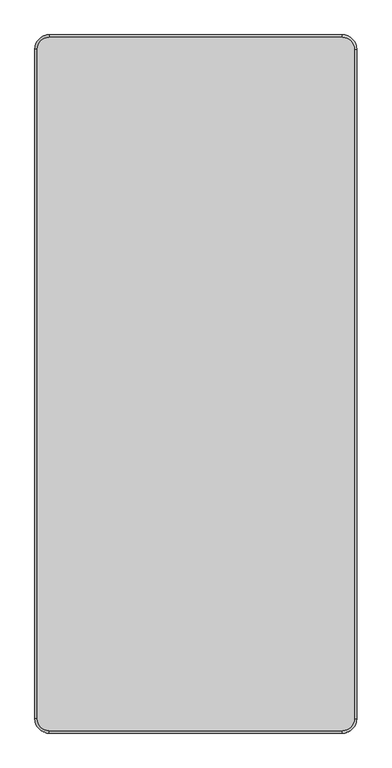
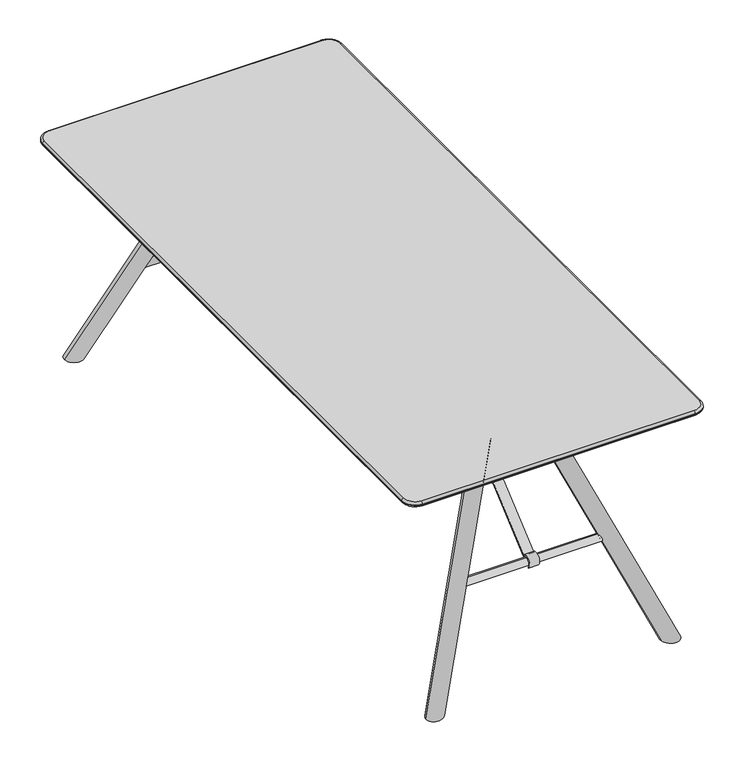
"""IFC4 building model written with IfcOpenShell, lengths in millimetres: furniture geometry."""

from ifc_helpers import new_model, si_unit, point, frame, frame_2d, origin, place, context, project, spatial, polyline, circle_curve, ellipse_curve, trimmed, segment, composite_curve, outline, extrude, source, transform, mapped, element, save
from ifc_brep_helpers import plane_surface, cylinder_surface, revolved_surface, advanced_brep


def furniture_fb891a6e(model_context):
    return source(origin(), model_context, "Body", "SolidModel", [
        extrude(outline(composite_curve([segment(polyline([(-382.7995356, 696.9999876), (-318.4674309, 696.9999876), (-318.4674309, 693.9557965), (-381.7040688, 693.9557965), (-822.3687476, 318.9245802)]), True, "CONTINUOUS"), segment(trimmed(circle_curve(frame_2d((-834.262824, 308.2132689)), 16.0062876), [point((-822.3687476, 318.9245802))], [point((-846.8884441, 298.374826))], True, "CARTESIAN"), True, "CONTINUOUS"), segment(polyline([(-846.8884441, 298.374826), (-849.0227537, 296.2405164)]), True, "CONTINUOUS"), segment(trimmed(circle_curve(frame_2d((-834.961095, 308.9632055)), 18.9630446), [point((-849.0227537, 296.2405164))], [point((-822.2099951, 322.9991063))], False, "CARTESIAN"), True, "CONTINUOUS"), segment(polyline([(-822.2099951, 322.9991063), (-382.7995356, 696.9999876)]), True, "CONTINUOUS")], self_intersect=False)), frame((-18.7488756, 0.0, 0.0), z_axis=(1.0, 0.0, 0.0), x_axis=(0.0, 1.0, 0.0)), (0.0, 0.0, 1.0), 30.0854304),
        advanced_brep(
        [(-234.1299418, -834.5006792, 296.9759032), (-234.1299418, -834.5006792, 320.4264818), (-234.1299418, -834.5006792, 308.7011925), (225.8700582, -834.5006792, 308.7011925), (225.8700582, -834.5006792, 320.4264818), (225.8700582, -834.5006792, 296.9759032)],
        [
            (0, 1, circle_curve(frame((-234.1299418, -834.5006792, 308.7011925), z_axis=(-1.0, 0.0, 0.0), x_axis=(0.0, 0.0, 1.0)), 11.7252893)),
            (1, 2),
            (2, 0),
            (1, 0, circle_curve(frame((-234.1299418, -834.5006792, 308.7011925), z_axis=(-1.0, 0.0, 0.0), x_axis=(0.0, 0.0, 1.0)), 11.7252893)),
            (3, 4),
            (4, 5, circle_curve(frame((225.8700582, -834.5006792, 308.7011925), z_axis=(1.0, 0.0, 0.0), x_axis=(0.0, 0.0, 1.0)), 11.7252893)),
            (5, 3),
            (5, 4, circle_curve(frame((225.8700582, -834.5006792, 308.7011925), z_axis=(1.0, 0.0, 0.0), x_axis=(0.0, 0.0, 1.0)), 11.7252893)),
            (4, 1, circle_curve(frame((-4.1299418, -834.5006792, -4735.1313064), z_axis=(0.0, -1.0, 0.0), x_axis=(0.0, 0.0, -1.0)), 5060.7869497)),
            (0, 5, circle_curve(frame((-4.1299418, -834.5006792, 5352.5336915), z_axis=(0.0, -1.0, 0.0), x_axis=(0.0, 0.0, 1.0)), 5060.7869497)),
        ],
        [
            plane_surface(frame((-234.1299418, -834.5006792, 308.7011925), z_axis=(-1.0, 0.0, 0.0), x_axis=(0.0, 0.0, 1.0))),
            plane_surface(frame((225.8700582, -834.5006792, 308.7011925), z_axis=(1.0, 0.0, 0.0), x_axis=(0.0, 0.0, 1.0))),
            revolved_surface(trimmed(ellipse_curve(frame((-4.1299418, -834.5006792, -4735.1313064), z_axis=(0.0, 1.0, 0.0), x_axis=(0.0, 0.0, -1.0)), 5060.7869497, 5060.7869497), [point((-234.1299418, -834.5006792, 320.4264818))], [point((225.8700582, -834.5006792, 320.4264818))], True, "CARTESIAN"), (225.8700582, -834.5006792, 308.7011925), (1.0, 0.0, 0.0)),
        ],
        [
            (0, [[1, 2, 3]]),
            (0, [[4, -3, -2]]),
            (1, [[5, 6, 7]]),
            (1, [[-7, 8, -5]]),
            (2, [[-6, 9, -1, 10]]),
            (2, [[-8, -10, -4, -9]]),
        ],
    ),
        extrude(outline(composite_curve([segment(polyline([(382.7995356, 696.9999876), (822.2099951, 322.9991063)]), True, "CONTINUOUS"), segment(trimmed(circle_curve(frame_2d((834.961095, 308.9632055)), 18.9630446), [point((822.2099951, 322.9991063))], [point((849.0227537, 296.2405164))], False, "CARTESIAN"), True, "CONTINUOUS"), segment(polyline([(849.0227537, 296.2405164), (846.8884441, 298.374826)]), True, "CONTINUOUS"), segment(trimmed(circle_curve(frame_2d((834.262824, 308.2132689)), 16.0062876), [point((846.8884441, 298.374826))], [point((822.3687476, 318.9245802))], True, "CARTESIAN"), True, "CONTINUOUS"), segment(polyline([(822.3687476, 318.9245802), (381.7040688, 693.9557965), (318.4674309, 693.9557965), (318.4674309, 696.9999876), (382.7995356, 696.9999876)]), True, "CONTINUOUS")], self_intersect=False)), frame((-18.7488756, 0.0, 0.0), z_axis=(1.0, 0.0, 0.0), x_axis=(0.0, 1.0, 0.0)), (0.0, 0.0, 1.0), 30.0854304),
        advanced_brep(
        [(-234.1299418, 834.5006792, 308.7011925), (-234.1299418, 834.5006792, 320.4264818), (-234.1299418, 834.5006792, 296.9759032), (225.8700582, 834.5006792, 296.9759032), (225.8700582, 834.5006792, 320.4264818), (225.8700582, 834.5006792, 308.7011925)],
        [
            (0, 1),
            (1, 2, circle_curve(frame((-234.1299418, 834.5006792, 308.7011925), z_axis=(-1.0, 0.0, 0.0), x_axis=(0.0, 0.0, 1.0)), 11.7252893)),
            (2, 0),
            (2, 1, circle_curve(frame((-234.1299418, 834.5006792, 308.7011925), z_axis=(-1.0, 0.0, 0.0), x_axis=(0.0, 0.0, 1.0)), 11.7252893)),
            (3, 4, circle_curve(frame((225.8700582, 834.5006792, 308.7011925), z_axis=(1.0, 0.0, 0.0), x_axis=(0.0, 0.0, 1.0)), 11.7252893)),
            (4, 5),
            (5, 3),
            (4, 3, circle_curve(frame((225.8700582, 834.5006792, 308.7011925), z_axis=(1.0, 0.0, 0.0), x_axis=(0.0, 0.0, 1.0)), 11.7252893)),
            (1, 4, circle_curve(frame((-4.1299418, 834.5006792, -4735.1313064), z_axis=(0.0, 1.0, 0.0), x_axis=(0.0, 0.0, -1.0)), 5060.7869497)),
            (3, 2, circle_curve(frame((-4.1299418, 834.5006792, 5352.5336915), z_axis=(0.0, 1.0, 0.0), x_axis=(0.0, 0.0, 1.0)), 5060.7869497)),
        ],
        [
            plane_surface(frame((-234.1299418, 834.5006792, 308.7011925), z_axis=(-1.0, 0.0, 0.0), x_axis=(0.0, 0.0, 1.0))),
            plane_surface(frame((225.8700582, 834.5006792, 308.7011925), z_axis=(1.0, 0.0, 0.0), x_axis=(0.0, 0.0, 1.0))),
            revolved_surface(trimmed(ellipse_curve(frame((-4.1299418, 834.5006792, -4735.1313064), z_axis=(0.0, -1.0, 0.0), x_axis=(0.0, 0.0, -1.0)), 5060.7869497, 5060.7869497), [point((225.8700582, 834.5006792, 320.4264818))], [point((-234.1299418, 834.5006792, 320.4264818))], True, "CARTESIAN"), (225.8700582, 834.5006792, 308.7011925), (-1.0, 0.0, 0.0)),
        ],
        [
            (0, [[1, 2, 3]]),
            (0, [[-3, 4, -1]]),
            (1, [[5, 6, 7]]),
            (1, [[8, -7, -6]]),
            (2, [[-2, 9, -5, 10]]),
            (2, [[-4, -10, -8, -9]]),
        ],
    ),
        advanced_brep(
        [(327.1101507, -939.6804862, 0.0), (380.6471861, -939.3695552, 0.0), (109.9688176, -718.7539753, 667.7772071), (63.3065195, -724.66814, 650.8168831)],
        [
            (0, 1, ellipse_curve(frame((353.8786684, -939.5250207, 0.0), z_axis=(0.0, 0.0, -1.0), x_axis=(-0.7751468611530293, 0.6317810883879051, 0.0)), 28.2117965, 25.0)),
            (1, 0, ellipse_curve(frame((353.8786684, -939.5250207, 0.0), z_axis=(0.0, 0.0, -1.0), x_axis=(-0.7751468611530293, 0.6317810883879051, 0.0)), 28.2117965, 25.0)),
            (2, 3, circle_curve(frame((86.6376685, -721.7110576, 659.2970451), z_axis=(-0.35919577864696833, 0.29276142541603045, 0.8861541290264195), x_axis=(-0.9332459618296185, -0.1182832937809614, -0.33920648157285704)), 25.0)),
            (3, 2, circle_curve(frame((86.6376685, -721.7110576, 659.2970451), z_axis=(-0.35919577864696833, 0.29276142541603045, 0.8861541290264195), x_axis=(-0.9332459618296185, -0.1182832937809614, -0.33920648157285704)), 25.0)),
            (2, 1),
            (0, 3),
        ],
        [
            plane_surface(frame((414.9551578, -894.6298519, 0.0), z_axis=(0.0, 0.0, -1.0), x_axis=(-1.0, 0.0, 0.0))),
            plane_surface(frame((63.3065195, -724.66814, 650.8168831), z_axis=(-0.3591957786469684, 0.29276142541603045, 0.8861541290264195), x_axis=(0.005510656123217832, -0.9488412987432097, 0.315705277859574))),
            cylinder_surface(frame((359.1565975, -943.8267807, -13.0209177), z_axis=(-0.35919577864696833, 0.29276142541603045, 0.8861541290264195), x_axis=(-0.9332459618296185, -0.1182832937809614, -0.33920648157285704)), 25.0),
        ],
        [
            (0, [[1, 2]]),
            (1, [[3, 4]]),
            (2, [[-3, 5, -1, 6]]),
            (2, [[-4, -6, -2, -5]]),
        ],
    ),
        advanced_brep(
        [(-109.9688176, -718.7539753, 667.7772071), (-63.3065195, -724.66814, 650.8168831), (-327.1101507, -939.6804862, 0.0), (-380.6471861, -939.3695552, 0.0)],
        [
            (0, 1, circle_curve(frame((-86.6376685, -721.7110576, 659.2970451), z_axis=(0.3591957786469684, 0.2927614254160305, 0.8861541290264195), x_axis=(0.9332459618296185, -0.11828329378096139, -0.3392064815728571)), 25.0)),
            (1, 0, circle_curve(frame((-86.6376685, -721.7110576, 659.2970451), z_axis=(0.3591957786469684, 0.2927614254160305, 0.8861541290264195), x_axis=(0.9332459618296185, -0.11828329378096139, -0.3392064815728571)), 25.0)),
            (1, 2),
            (2, 3, ellipse_curve(frame((-353.8786684, -939.5250207, 0.0), z_axis=(0.0, 0.0, 1.0), x_axis=(0.7751468611530294, 0.6317810883879053, 0.0)), 28.2117965, 25.0)),
            (3, 0),
            (3, 2, ellipse_curve(frame((-353.8786684, -939.5250207, 0.0), z_axis=(0.0, 0.0, 1.0), x_axis=(0.7751468611530294, 0.6317810883879053, 0.0)), 28.2117965, 25.0)),
        ],
        [
            plane_surface(frame((-63.3065195, -724.66814, 650.8168831), z_axis=(0.3591957786469684, 0.2927614254160305, 0.8861541290264195), x_axis=(0.005510656123217837, 0.9488412987432097, -0.31570527785957403))),
            cylinder_surface(frame((-359.1565975, -943.8267807, -13.0209177), z_axis=(0.3591957786469684, 0.2927614254160305, 0.8861541290264195), x_axis=(0.9332459618296185, -0.11828329378096139, -0.3392064815728571)), 25.0),
            plane_surface(frame((414.9551578, -894.6298519, 0.0), z_axis=(0.0, 0.0, -1.0), x_axis=(-1.0, 0.0, 0.0))),
        ],
        [
            (0, [[1, 2]]),
            (1, [[-2, 3, 4, 5]]),
            (1, [[-1, -5, 6, -3]]),
            (2, [[-4, -6]]),
        ],
    ),
        extrude(outline(polyline([(705.4756617, -300.8039954), (687.6294954, -300.8039954), (642.3006437, -190.0), (642.3006437, 190.0), (687.6294954, 300.8039954), (705.4756617, 300.8039954), (705.4756617, -300.8039954)])), frame((0.0, -775.405654, 0.0), z_axis=(0.0, 1.0, 0.0), x_axis=(0.0, 0.0, 1.0)), (0.0, 0.0, 1.0), 100.000054),
        advanced_brep(
        [(380.6471861, 939.3695552, 0.0), (327.1101507, 939.6804862, 0.0), (109.9688176, 718.7539753, 667.7772071), (63.3065195, 724.66814, 650.8168831)],
        [
            (0, 1, ellipse_curve(frame((353.8786684, 939.5250207, 0.0), z_axis=(0.0, 0.0, -1.0), x_axis=(-0.7751468611530293, -0.6317810883879051, 0.0)), 28.2117965, 25.0)),
            (1, 0, ellipse_curve(frame((353.8786684, 939.5250207, 0.0), z_axis=(0.0, 0.0, -1.0), x_axis=(-0.7751468611530293, -0.6317810883879051, 0.0)), 28.2117965, 25.0)),
            (2, 3, circle_curve(frame((86.6376685, 721.7110576, 659.2970451), z_axis=(-0.35919577864696833, -0.29276142541603045, 0.8861541290264195), x_axis=(-0.9332459618296185, 0.1182832937809614, -0.33920648157285704)), 25.0)),
            (3, 2, circle_curve(frame((86.6376685, 721.7110576, 659.2970451), z_axis=(-0.35919577864696833, -0.29276142541603045, 0.8861541290264195), x_axis=(-0.9332459618296185, 0.1182832937809614, -0.33920648157285704)), 25.0)),
            (3, 1),
            (0, 2),
        ],
        [
            plane_surface(frame((414.9551578, 999.6298519, 0.0), z_axis=(0.0, 0.0, -1.0), x_axis=(-1.0, 0.0, 0.0))),
            plane_surface(frame((63.3065195, 724.66814, 650.8168831), z_axis=(-0.35919577864696833, -0.29276142541603045, 0.8861541290264195), x_axis=(-0.005510656123217832, -0.9488412987432097, -0.315705277859574))),
            cylinder_surface(frame((359.1565975, 943.8267807, -13.0209177), z_axis=(-0.35919577864696833, -0.29276142541603045, 0.8861541290264195), x_axis=(-0.9332459618296185, 0.1182832937809614, -0.33920648157285704)), 25.0),
        ],
        [
            (0, [[1, 2]]),
            (1, [[3, 4]]),
            (2, [[-4, 5, -1, 6]]),
            (2, [[-3, -6, -2, -5]]),
        ],
    ),
        advanced_brep(
        [(-109.9688176, 718.7539753, 667.7772071), (-63.3065195, 724.66814, 650.8168831), (-380.6471861, 939.3695552, 0.0), (-327.1101507, 939.6804862, 0.0)],
        [
            (0, 1, circle_curve(frame((-86.6376685, 721.7110576, 659.2970451), z_axis=(0.3591957786469684, -0.2927614254160305, 0.8861541290264195), x_axis=(0.9332459618296185, 0.11828329378096139, -0.3392064815728571)), 25.0)),
            (1, 0, circle_curve(frame((-86.6376685, 721.7110576, 659.2970451), z_axis=(0.3591957786469684, -0.2927614254160305, 0.8861541290264195), x_axis=(0.9332459618296185, 0.11828329378096139, -0.3392064815728571)), 25.0)),
            (0, 2),
            (2, 3, ellipse_curve(frame((-353.8786684, 939.5250207, 0.0), z_axis=(0.0, 0.0, 1.0), x_axis=(0.7751468611530294, -0.6317810883879053, 0.0)), 28.2117965, 25.0)),
            (3, 1),
            (3, 2, ellipse_curve(frame((-353.8786684, 939.5250207, 0.0), z_axis=(0.0, 0.0, 1.0), x_axis=(0.7751468611530294, -0.6317810883879053, 0.0)), 28.2117965, 25.0)),
        ],
        [
            plane_surface(frame((-63.3065195, 724.66814, 650.8168831), z_axis=(0.3591957786469684, -0.2927614254160305, 0.8861541290264195), x_axis=(-0.005510656123217837, 0.9488412987432097, 0.31570527785957403))),
            cylinder_surface(frame((-359.1565975, 943.8267807, -13.0209177), z_axis=(0.3591957786469684, -0.2927614254160305, 0.8861541290264195), x_axis=(0.9332459618296185, 0.11828329378096139, -0.3392064815728571)), 25.0),
            plane_surface(frame((414.9551578, 999.6298519, 0.0), z_axis=(0.0, 0.0, -1.0), x_axis=(-1.0, 0.0, 0.0))),
        ],
        [
            (0, [[1, 2]]),
            (1, [[-1, 3, 4, 5]]),
            (1, [[-2, -5, 6, -3]]),
            (2, [[-4, -6]]),
        ],
    ),
        extrude(outline(polyline([(705.4756617, -300.8039954), (687.6294954, -300.8039954), (642.3006437, -190.0), (642.3006437, 190.0), (687.6294954, 300.8039954), (705.4756617, 300.8039954), (705.4756617, -300.8039954)])), frame((0.0, 675.4056, 0.0), z_axis=(0.0, 1.0, 0.0), x_axis=(0.0, 0.0, 1.0)), (0.0, 0.0, 1.0), 100.000054),
        advanced_brep(
        [(443.3875297, 935.0, 720.0), (410.0, 968.3875297, 720.0), (-410.0, 968.3875297, 720.0), (-443.3875297, 935.0, 720.0), (-443.3875297, -935.0, 720.0), (-410.0, -968.3875297, 720.0), (410.0, -968.3875297, 720.0), (443.3875297, -935.0, 720.0), (410.0, 940.0005076, 696.9999876), (415.0005076, 935.0, 696.9999876), (415.0005076, -935.0, 696.9999876), (410.0, -940.0005076, 696.9999876), (-410.0, -940.0005076, 696.9999876), (-415.0005076, -935.0, 696.9999876), (-415.0005076, 935.0, 696.9999876), (-410.0, 940.0005076, 696.9999876), (410.0, 975.0, 713.3875297), (410.0, 975.0, 711.9936077), (-410.0, 975.0, 711.9936098), (-410.0, 975.0, 713.3875297), (-450.0, 935.0, 711.9936098), (-450.0, 935.0, 713.3875297), (-450.0, -935.0, 711.9936098), (-450.0, -935.0, 713.3875297), (-410.0, -975.0, 711.9936098), (-410.0, -975.0, 713.3875297), (410.0, -975.0, 711.9936098), (410.0, -975.0, 713.3875297), (450.0, -935.0, 711.9936098), (450.0, -935.0, 713.3875297), (450.0, 935.0, 711.9936098), (450.0, 935.0, 713.3875297), (446.0321209, 935.0, 706.6108805), (410.0, 971.0321209, 706.6108805), (446.0321209, -935.0, 706.6108805), (410.0, -971.0321209, 706.6108805), (-410.0, -971.0321209, 706.6108805), (-446.0321209, -935.0, 706.6108805), (-446.0321209, 935.0, 706.6108805), (-410.0, 971.0321209, 706.6108805)],
        [
            (0, 1, circle_curve(frame((410.0, 935.0, 720.0), z_axis=(0.0, 0.0, 1.0), x_axis=(0.0, 1.0, 0.0)), 33.3875297)),
            (1, 2),
            (2, 3, circle_curve(frame((-410.0, 935.0, 720.0), z_axis=(0.0, 0.0, 1.0), x_axis=(-1.0, 0.0, 0.0)), 33.3875297)),
            (3, 4),
            (4, 5, circle_curve(frame((-410.0, -935.0, 720.0), z_axis=(0.0, 0.0, 1.0), x_axis=(0.0, -1.0, 0.0)), 33.3875297)),
            (5, 6),
            (6, 7, circle_curve(frame((410.0, -935.0, 720.0), z_axis=(0.0, 0.0, 1.0), x_axis=(1.0, 0.0, 0.0)), 33.3875297)),
            (7, 0),
            (8, 9, circle_curve(frame((410.0, 935.0, 696.9999876), z_axis=(0.0, 0.0, -1.0), x_axis=(0.0, 1.0, 0.0)), 5.0005076)),
            (9, 10),
            (10, 11, circle_curve(frame((410.0, -935.0, 696.9999876), z_axis=(0.0, 0.0, -1.0), x_axis=(1.0, 0.0, 0.0)), 5.0005076)),
            (11, 12),
            (12, 13, circle_curve(frame((-410.0, -935.0, 696.9999876), z_axis=(0.0, 0.0, -1.0), x_axis=(0.0, -1.0, 0.0)), 5.0005076)),
            (13, 14),
            (14, 15, circle_curve(frame((-410.0, 935.0, 696.9999876), z_axis=(0.0, 0.0, -1.0), x_axis=(-1.0, 0.0, 0.0)), 5.0005076)),
            (15, 8),
            (16, 17),
            (17, 18),
            (18, 19),
            (19, 16),
            (18, 20, circle_curve(frame((-410.0, 935.0, 711.9936098), z_axis=(0.0, 0.0, 1.0), x_axis=(1.0, 0.0, 0.0)), 40.0)),
            (20, 21),
            (21, 19, circle_curve(frame((-410.0, 935.0, 713.3875297), z_axis=(0.0, 0.0, -1.0), x_axis=(1.0, 0.0, 0.0)), 40.0)),
            (20, 22),
            (22, 23),
            (23, 21),
            (22, 24, circle_curve(frame((-410.0, -935.0, 711.9936098), z_axis=(0.0, 0.0, 1.0), x_axis=(1.0, 0.0, 0.0)), 40.0)),
            (24, 25),
            (25, 23, circle_curve(frame((-410.0, -935.0, 713.3875297), z_axis=(0.0, 0.0, -1.0), x_axis=(1.0, 0.0, 0.0)), 40.0)),
            (24, 26),
            (26, 27),
            (27, 25),
            (26, 28, circle_curve(frame((410.0, -935.0, 711.9936098), z_axis=(0.0, 0.0, 1.0), x_axis=(1.0, 0.0, 0.0)), 40.0)),
            (28, 29),
            (29, 27, circle_curve(frame((410.0, -935.0, 713.3875297), z_axis=(0.0, 0.0, -1.0), x_axis=(1.0, 0.0, 0.0)), 40.0)),
            (28, 30),
            (30, 31),
            (31, 29),
            (16, 31, circle_curve(frame((410.0, 935.0, 713.3875297), z_axis=(0.0, 0.0, -1.0), x_axis=(1.0, 0.0, 0.0)), 40.0)),
            (30, 17, circle_curve(frame((410.0, 935.0, 711.9936098), z_axis=(0.0, 0.0, 1.0), x_axis=(1.0, 0.0, 0.0)), 40.0)),
            (32, 9),
            (8, 33),
            (33, 32, circle_curve(frame((410.0, 935.0, 706.6108805), z_axis=(0.0, 0.0, -1.0), x_axis=(0.0, 1.0, 0.0)), 36.0321209)),
            (32, 34),
            (34, 10),
            (34, 35, circle_curve(frame((410.0, -935.0, 706.6108805), z_axis=(0.0, 0.0, -1.0), x_axis=(1.0, 0.0, 0.0)), 36.0321209)),
            (35, 11),
            (35, 36),
            (36, 12),
            (36, 37, circle_curve(frame((-410.0, -935.0, 706.6108805), z_axis=(0.0, 0.0, -1.0), x_axis=(0.0, -1.0, 0.0)), 36.0321209)),
            (37, 13),
            (37, 38),
            (38, 14),
            (38, 39, circle_curve(frame((-410.0, 935.0, 706.6108805), z_axis=(0.0, 0.0, -1.0), x_axis=(-1.0, 0.0, 0.0)), 36.0321209)),
            (39, 15),
            (39, 33),
            (33, 17, circle_curve(frame((410.0, 969.3650199, 711.9936098), z_axis=(1.0, 0.0, 0.0), x_axis=(0.0, -1.0, 0.0)), 5.6349801)),
            (30, 32, circle_curve(frame((444.3650199, 935.0, 711.9936098), z_axis=(0.0, 1.0, 0.0), x_axis=(-1.0, 0.0, 0.0)), 5.6349801)),
            (0, 31, circle_curve(frame((443.3875297, 935.0, 713.3875297), z_axis=(0.0, 1.0, 0.0), x_axis=(-1.0, 0.0, 0.0)), 6.6124703)),
            (16, 1, circle_curve(frame((410.0, 968.3875297, 713.3875297), z_axis=(1.0, 0.0, 0.0), x_axis=(0.0, -1.0, 0.0)), 6.6124703)),
            (28, 34, circle_curve(frame((444.3650199, -935.0, 711.9936098), z_axis=(0.0, 1.0, 0.0), x_axis=(-1.0, 0.0, 0.0)), 5.6349801)),
            (7, 29, circle_curve(frame((443.3875297, -935.0, 713.3875297), z_axis=(0.0, 1.0, 0.0), x_axis=(-1.0, 0.0, 0.0)), 6.6124703)),
            (26, 35, circle_curve(frame((410.0, -969.3650199, 711.9936098), z_axis=(1.0, 0.0, 0.0), x_axis=(0.0, 1.0, 0.0)), 5.6349801)),
            (6, 27, circle_curve(frame((410.0, -968.3875297, 713.3875297), z_axis=(1.0, 0.0, 0.0), x_axis=(0.0, 1.0, 0.0)), 6.6124703)),
            (24, 36, circle_curve(frame((-410.0, -969.3650199, 711.9936098), z_axis=(1.0, 0.0, 0.0), x_axis=(0.0, 1.0, 0.0)), 5.6349801)),
            (5, 25, circle_curve(frame((-410.0, -968.3875297, 713.3875297), z_axis=(1.0, 0.0, 0.0), x_axis=(0.0, 1.0, 0.0)), 6.6124703)),
            (22, 37, circle_curve(frame((-444.3650199, -935.0, 711.9936098), z_axis=(0.0, -1.0, 0.0), x_axis=(1.0, 0.0, 0.0)), 5.6349801)),
            (4, 23, circle_curve(frame((-443.3875297, -935.0, 713.3875297), z_axis=(0.0, -1.0, 0.0), x_axis=(1.0, 0.0, 0.0)), 6.6124703)),
            (20, 38, circle_curve(frame((-444.3650199, 935.0, 711.9936098), z_axis=(0.0, -1.0, 0.0), x_axis=(1.0, 0.0, 0.0)), 5.6349801)),
            (3, 21, circle_curve(frame((-443.3875297, 935.0, 713.3875297), z_axis=(0.0, -1.0, 0.0), x_axis=(1.0, 0.0, 0.0)), 6.6124703)),
            (18, 39, circle_curve(frame((-410.0, 969.3650199, 711.9936098), z_axis=(-1.0, 0.0, 0.0), x_axis=(0.0, -1.0, 0.0)), 5.6349801)),
            (2, 19, circle_curve(frame((-410.0, 968.3875297, 713.3875297), z_axis=(-1.0, 0.0, 0.0), x_axis=(0.0, -1.0, 0.0)), 6.6124703)),
        ],
        [
            plane_surface(frame((-410.310117, 975.0, 720.0), z_axis=(0.0, 0.0, 1.0), x_axis=(-1.0, 0.0, 0.0))),
            plane_surface(frame((-410.310117, 975.0, 696.9999876), z_axis=(0.0, 0.0, -1.0), x_axis=(1.0, 0.0, 0.0))),
            plane_surface(frame((410.0, 975.0, 720.0), z_axis=(0.0, 1.0, 0.0), x_axis=(0.0, 0.0, -1.0))),
            cylinder_surface(frame((-410.0, 935.0, 696.9999876), z_axis=(0.0, 0.0, 1.0), x_axis=(1.0, 0.0, 0.0)), 40.0),
            plane_surface(frame((-450.0, 935.0, 720.0), z_axis=(-1.0, 0.0, 0.0), x_axis=(0.0, 0.0, -1.0))),
            cylinder_surface(frame((-410.0, -935.0, 696.9999876), z_axis=(0.0, 0.0, 1.0), x_axis=(1.0, 0.0, 0.0)), 40.0),
            plane_surface(frame((-410.0, -975.0, 720.0), z_axis=(0.0, -1.0, 0.0), x_axis=(0.0, 0.0, -1.0))),
            cylinder_surface(frame((410.0, -935.0, 696.9999876), z_axis=(0.0, 0.0, 1.0), x_axis=(1.0, 0.0, 0.0)), 40.0),
            plane_surface(frame((450.0, -935.0, 720.0), z_axis=(1.0, 0.0, 0.0), x_axis=(0.0, 0.0, -1.0))),
            cylinder_surface(frame((410.0, 935.0, 696.9999876), z_axis=(0.0, 0.0, 1.0), x_axis=(1.0, 0.0, 0.0)), 40.0),
            revolved_surface(polyline([(410.0, 971.0321209, 706.6108805), (410.0, 940.0005076, 696.9999876)]), (410.0, 935.0, -18.7809165), (0.0, 0.0, -1.0)),
            plane_surface(frame((415.0005076, 935.0, 696.9999876), z_axis=(0.295848611790623, 0.0, -0.9552348396606781), x_axis=(0.0, -1.0, 0.0))),
            revolved_surface(polyline([(446.0321209, -935.0, 706.6108805), (415.0005076, -935.0, 696.9999876)]), (410.0, -935.0, -18.7809165), (0.0, 0.0, -1.0)),
            plane_surface(frame((410.0, -940.0005076, 696.9999876), z_axis=(0.0, -0.295848611790623, -0.9552348396606781), x_axis=(-1.0, 0.0, 0.0))),
            revolved_surface(polyline([(-410.0, -971.0321209, 706.6108805), (-410.0, -940.0005076, 696.9999876)]), (-410.0, -935.0, -18.7809165), (0.0, 0.0, -1.0)),
            plane_surface(frame((-415.0005076, -935.0, 696.9999876), z_axis=(-0.295848611790623, 0.0, -0.9552348396606781), x_axis=(0.0, 1.0, 0.0))),
            revolved_surface(polyline([(-446.0321209, 935.0, 706.6108805), (-415.0005076, 935.0, 696.9999876)]), (-410.0, 935.0, -18.7809165), (0.0, 0.0, -1.0)),
            plane_surface(frame((-410.0, 940.0005076, 696.9999876), z_axis=(0.0, 0.295848611790623, -0.9552348396606781), x_axis=(1.0, 0.0, 0.0))),
            revolved_surface(trimmed(ellipse_curve(frame((410.0, 969.3650199, 711.9936098), z_axis=(-1.0, 0.0, 0.0), x_axis=(0.0, -1.0, 0.0)), 5.6349801, 5.6349801), [point((410.0, 975.0, 711.9936098))], [point((410.0, 971.0321209, 706.6108805))], True, "CARTESIAN"), (410.0, 935.0, -18.7809165), (0.0, 0.0, -1.0)),
            revolved_surface(trimmed(ellipse_curve(frame((410.0, 968.3875297, 713.3875297), z_axis=(-1.0, 0.0, 0.0), x_axis=(0.0, -1.0, 0.0)), 6.6124703, 6.6124703), [point((410.0, 968.3875297, 720.0))], [point((410.0, 975.0, 713.3875297))], True, "CARTESIAN"), (410.0, 935.0, -18.7809165), (0.0, 0.0, -1.0)),
            cylinder_surface(frame((444.3650199, 935.0, 711.9936098), z_axis=(0.0, -1.0, 0.0), x_axis=(-1.0, 0.0, 0.0)), 5.6349801),
            cylinder_surface(frame((443.3875297, 935.0, 713.3875297), z_axis=(0.0, -1.0, 0.0), x_axis=(-1.0, 0.0, 0.0)), 6.6124703),
            revolved_surface(trimmed(ellipse_curve(frame((444.3650199, -935.0, 711.9936098), z_axis=(0.0, 1.0, 0.0), x_axis=(-1.0, 0.0, 0.0)), 5.6349801, 5.6349801), [point((450.0, -935.0, 711.9936098))], [point((446.0321209, -935.0, 706.6108805))], True, "CARTESIAN"), (410.0, -935.0, -18.7809165), (0.0, 0.0, -1.0)),
            revolved_surface(trimmed(ellipse_curve(frame((443.3875297, -935.0, 713.3875297), z_axis=(0.0, 1.0, 0.0), x_axis=(-1.0, 0.0, 0.0)), 6.6124703, 6.6124703), [point((443.3875297, -935.0, 720.0))], [point((450.0, -935.0, 713.3875297))], True, "CARTESIAN"), (410.0, -935.0, -18.7809165), (0.0, 0.0, -1.0)),
            cylinder_surface(frame((410.0, -969.3650199, 711.9936098), z_axis=(-1.0, 0.0, 0.0), x_axis=(0.0, 1.0, 0.0)), 5.6349801),
            cylinder_surface(frame((410.0, -968.3875297, 713.3875297), z_axis=(-1.0, 0.0, 0.0), x_axis=(0.0, 1.0, 0.0)), 6.6124703),
            revolved_surface(trimmed(ellipse_curve(frame((-410.0, -969.3650199, 711.9936098), z_axis=(1.0, 0.0, 0.0), x_axis=(0.0, 1.0, 0.0)), 5.6349801, 5.6349801), [point((-410.0, -975.0, 711.9936098))], [point((-410.0, -971.0321209, 706.6108805))], True, "CARTESIAN"), (-410.0, -935.0, -18.7809165), (0.0, 0.0, -1.0)),
            revolved_surface(trimmed(ellipse_curve(frame((-410.0, -968.3875297, 713.3875297), z_axis=(1.0, 0.0, 0.0), x_axis=(0.0, 1.0, 0.0)), 6.6124703, 6.6124703), [point((-410.0, -968.3875297, 720.0))], [point((-410.0, -975.0, 713.3875297))], True, "CARTESIAN"), (-410.0, -935.0, -18.7809165), (0.0, 0.0, -1.0)),
            cylinder_surface(frame((-444.3650199, -935.0, 711.9936098), z_axis=(0.0, 1.0, 0.0), x_axis=(1.0, 0.0, 0.0)), 5.6349801),
            cylinder_surface(frame((-443.3875297, -935.0, 713.3875297), z_axis=(0.0, 1.0, 0.0), x_axis=(1.0, 0.0, 0.0)), 6.6124703),
            revolved_surface(trimmed(ellipse_curve(frame((-444.3650199, 935.0, 711.9936098), z_axis=(0.0, -1.0, 0.0), x_axis=(1.0, 0.0, 0.0)), 5.6349801, 5.6349801), [point((-450.0, 935.0, 711.9936098))], [point((-446.0321209, 935.0, 706.6108805))], True, "CARTESIAN"), (-410.0, 935.0, -18.7809165), (0.0, 0.0, -1.0)),
            revolved_surface(trimmed(ellipse_curve(frame((-443.3875297, 935.0, 713.3875297), z_axis=(0.0, -1.0, 0.0), x_axis=(1.0, 0.0, 0.0)), 6.6124703, 6.6124703), [point((-443.3875297, 935.0, 720.0))], [point((-450.0, 935.0, 713.3875297))], True, "CARTESIAN"), (-410.0, 935.0, -18.7809165), (0.0, 0.0, -1.0)),
            cylinder_surface(frame((-410.0, 969.3650199, 711.9936098), z_axis=(1.0, 0.0, 0.0), x_axis=(0.0, -1.0, 0.0)), 5.6349801),
            cylinder_surface(frame((-410.0, 968.3875297, 713.3875297), z_axis=(1.0, 0.0, 0.0), x_axis=(0.0, -1.0, 0.0)), 6.6124703),
        ],
        [
            (0, [[1, 2, 3, 4, 5, 6, 7, 8]]),
            (1, [[9, 10, 11, 12, 13, 14, 15, 16]]),
            (2, [[17, 18, 19, 20]]),
            (3, [[-19, 21, 22, 23]]),
            (4, [[-22, 24, 25, 26]]),
            (5, [[-25, 27, 28, 29]]),
            (6, [[-28, 30, 31, 32]]),
            (7, [[-31, 33, 34, 35]]),
            (8, [[-34, 36, 37, 38]]),
            (9, [[-17, 39, -37, 40]]),
            (10, [[41, -9, 42, 43]]),
            (11, [[-41, 44, 45, -10]]),
            (12, [[-45, 46, 47, -11]]),
            (13, [[-47, 48, 49, -12]]),
            (14, [[-49, 50, 51, -13]]),
            (15, [[-51, 52, 53, -14]]),
            (16, [[-53, 54, 55, -15]]),
            (17, [[-42, -16, -55, 56]]),
            (18, [[-43, 57, -40, 58]]),
            (19, [[59, -39, 60, -1]]),
            (20, [[-44, -58, -36, 61]]),
            (21, [[-59, -8, 62, -38]]),
            (22, [[-46, -61, -33, 63]]),
            (23, [[-62, -7, 64, -35]]),
            (24, [[-48, -63, -30, 65]]),
            (25, [[-64, -6, 66, -32]]),
            (26, [[-50, -65, -27, 67]]),
            (27, [[-66, -5, 68, -29]]),
            (28, [[-52, -67, -24, 69]]),
            (29, [[-68, -4, 70, -26]]),
            (30, [[-54, -69, -21, 71]]),
            (31, [[-70, -3, 72, -23]]),
            (32, [[-56, -71, -18, -57]]),
            (33, [[-60, -20, -72, -2]]),
        ],
    ),
    ])


if __name__ == "__main__":
    model = new_model("IFC4")
    model_context = context("Model", 3, world=origin())
    ifc_project = project(units=[si_unit("LENGTHUNIT", "METRE", prefix="MILLI")], contexts=[model_context])
    site = spatial("IfcSite", under=ifc_project)
    building = spatial("IfcBuilding", under=site)
    placement = place(None, origin())
    furniture_shape = furniture_fb891a6e(model_context)
    element("IfcFurniture", 1, at=placement, inside=building, context=model_context, shape_type="MappedRepresentation", body=[
        mapped(furniture_shape, transform((0.0, 0.0, 0.0), x_axis=(1.0, 0.0, 0.0), y_axis=(0.0, 1.0, 0.0), z_axis=(0.0, 0.0, 1.0))),
    ])
    save(model, "model.ifc")
